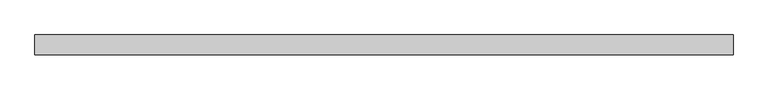
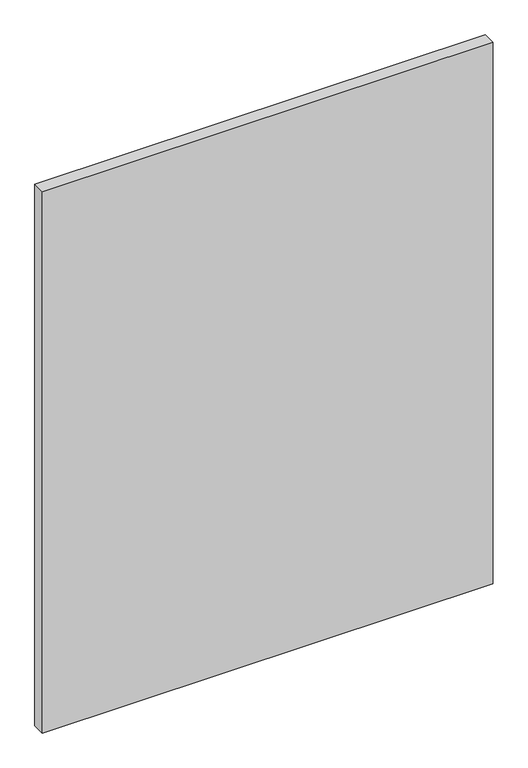
"""IFC4 building model written with IfcOpenShell, lengths in millimetres: plate geometry."""

from ifc_helpers import new_model, si_unit, origin, origin_with_axes, place, context, project, spatial, polyline, outline, extrude, source, transform, mapped, element, save


def plate_dc0397e1(model_context):
    return source(origin(), model_context, "Body", "SweptSolid", [
        extrude(outline(polyline([(693.5595703, -19.84375), (-693.5595703, -19.84375), (-693.5595703, 19.84375), (693.5595703, 19.84375), (693.5595703, -19.84375)])), origin_with_axes(), (0.0, 0.0, 1.0), 1761.3),
    ])


if __name__ == "__main__":
    model = new_model("IFC4")
    model_context = context("Model", 3, world=origin())
    ifc_project = project(units=[si_unit("LENGTHUNIT", "METRE", prefix="MILLI")], contexts=[model_context])
    site = spatial("IfcSite", under=ifc_project)
    building = spatial("IfcBuilding", under=site)
    placement = place(None, origin())
    plate_shape = plate_dc0397e1(model_context)
    element("IfcPlate", 1, at=placement, inside=building, context=model_context, shape_type="MappedRepresentation", body=[
        mapped(plate_shape, transform((0.0, 0.0, 0.0), x_axis=(1.0, 0.0, 0.0), y_axis=(0.0, 1.0, 0.0), z_axis=(0.0, 0.0, 1.0))),
    ])
    save(model, "model.ifc")
